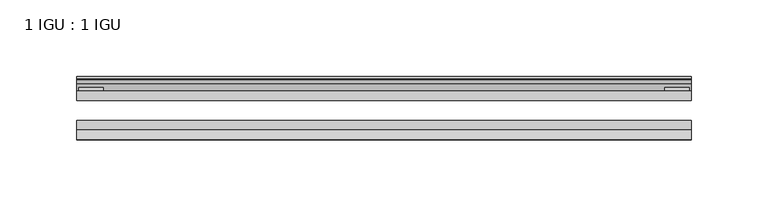
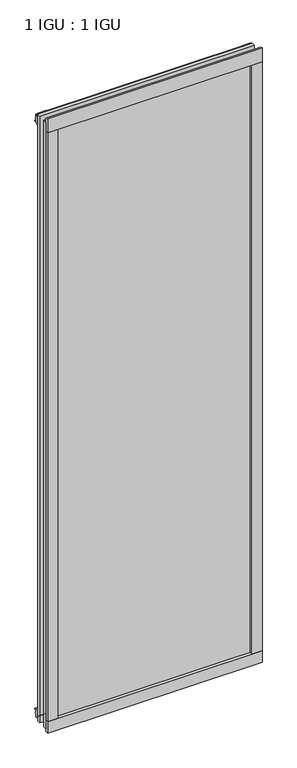
"""IFC4 building model written with IfcOpenShell, lengths in millimetres: plate geometry, 1 IGU : 1 IGU."""

from ifc_helpers import new_model, si_unit, point, frame, frame_2d, origin, place, context, project, spatial, polyline, circle_curve, trimmed, segment, composite_curve, outline, extrude, source, transform, mapped, element, save


def plate_1_igu_1_igu_dab4b2fd(model_context):
    return source(origin(), model_context, "Body", "SweptSolid", [
        extrude(outline(polyline([(200.0261906, 0.0021347), (200.0261906, -6.2992), (-200.0261906, -6.2992), (-200.0261906, 0.0021347), (200.0261906, 0.0021347)])), frame((0.0, 0.0, -17.4498), z_axis=(0.0, 0.0, 1.0), x_axis=(1.0, 0.0, 0.0)), (0.0, 0.0, 1.0), 1196.9496),
        extrude(outline(polyline([(-200.0261906, -19.0986653), (200.0261906, -19.0986653), (200.0261906, -25.3978653), (-200.0261906, -25.3978653), (-200.0261906, -19.0986653)])), frame((0.0, 0.0, -17.4498), z_axis=(0.0, 0.0, 1.0), x_axis=(1.0, 0.0, 0.0)), (0.0, 0.0, 1.0), 1196.9496),
        extrude(outline(composite_curve([segment(polyline([(-31.75, 0.0), (-25.4, 0.0), (-25.4, -22.225)]), True, "CONTINUOUS"), segment(trimmed(circle_curve(frame_2d((-28.575, -28.9113452)), 7.4018806), [point((-25.4, -22.225))], [point((-31.75, -22.225))], True, "CARTESIAN"), True, "CONTINUOUS"), segment(polyline([(-31.75, -22.225), (-31.75, 0.0)]), True, "CONTINUOUS")], self_intersect=False)), frame((-200.0261906, 0.0, 0.0), z_axis=(1.0, 0.0, 0.0), x_axis=(0.0, 1.0, 0.0)), (0.0, 0.0, 1.0), 400.0523813),
        extrude(outline(composite_curve([segment(trimmed(circle_curve(frame_2d((13.6593785, 32.4202472)), 31.3046461), [point((0.0, 4.2528503))], [point((9.3980339, 1.406995))], True, "CARTESIAN"), True, "CONTINUOUS"), segment(polyline([(9.3980339, 1.406995), (9.3980339, 0.0254), (6.35, 0.0254), (6.35, -5.1625788), (7.7309478, -5.3970663), (6.35, -8.0073788), (6.35, -11.8471127)]), True, "CONTINUOUS"), segment(trimmed(circle_curve(frame_2d((5.334, -11.8471127)), 1.016), [point((6.35, -11.8471127))], [point((4.6284878, -12.5782136))], False, "CARTESIAN"), True, "CONTINUOUS"), segment(trimmed(circle_curve(frame_2d((-23.3689302, -41.5910901)), 40.3187601), [point((4.6284878, -12.5782136))], [point((0.0, -8.735413))], True, "CARTESIAN"), True, "CONTINUOUS"), segment(polyline([(0.0, -8.735413), (0.0, 4.2528503)]), True, "CONTINUOUS")], self_intersect=False)), frame((-200.0261906, 0.0, 0.0), z_axis=(1.0, 0.0, 0.0), x_axis=(0.0, 1.0, 0.0)), (0.0, 0.0, 1.0), 400.0523813),
        extrude(outline(composite_curve([segment(trimmed(circle_curve(frame_2d((-23.3689302, 1203.6664901)), 40.3187601), [point((0.0, 1170.810813))], [point((4.9746073, 1174.9916528))], True, "CARTESIAN"), True, "CONTINUOUS"), segment(trimmed(circle_curve(frame_2d((5.8674, 1174.0884245)), 1.27), [point((4.9746073, 1174.9916528))], [point((7.1374, 1174.0884245))], False, "CARTESIAN"), True, "CONTINUOUS"), segment(polyline([(7.1374, 1174.0884245), (7.1374, 1169.6876168), (7.7309478, 1167.4724663), (6.35, 1167.2379788), (6.35, 1162.05), (9.3980339, 1162.05), (9.3980339, 1160.668405)]), True, "CONTINUOUS"), segment(trimmed(circle_curve(frame_2d((13.6593785, 1129.6551528)), 31.3046461), [point((9.3980339, 1160.668405))], [point((0.0, 1157.8225497))], True, "CARTESIAN"), True, "CONTINUOUS"), segment(polyline([(0.0, 1157.8225497), (0.0, 1170.810813)]), True, "CONTINUOUS")], self_intersect=False)), frame((-200.0261906, 0.0, 0.0), z_axis=(1.0, 0.0, 0.0), x_axis=(0.0, 1.0, 0.0)), (0.0, 0.0, 1.0), 400.0523813),
        extrude(outline(composite_curve([segment(polyline([(-25.4, 1187.45), (-25.4, 1162.05), (-31.75, 1162.05), (-31.75, 1190.2228973)]), True, "CONTINUOUS"), segment(trimmed(circle_curve(frame_2d((-24.1401272, 1198.9924115)), 11.6109665), [point((-31.75, 1190.2228973))], [point((-25.4, 1187.45))], True, "CARTESIAN"), True, "CONTINUOUS")], self_intersect=False)), frame((-200.0261906, 0.0, 0.0), z_axis=(1.0, 0.0, 0.0), x_axis=(0.0, 1.0, 0.0)), (0.0, 0.0, 1.0), 400.0523813),
        extrude(outline(composite_curve([segment(polyline([(180.9761906, -25.4), (200.0261906, -25.4)]), True, "CONTINUOUS"), segment(trimmed(circle_curve(frame_2d((209.4923413, -28.575)), 9.9844196), [point((200.0261906, -25.4))], [point((200.0261906, -31.75))], True, "CARTESIAN"), True, "CONTINUOUS"), segment(polyline([(200.0261906, -31.75), (180.9761906, -31.75), (180.9761906, -25.4)]), True, "CONTINUOUS")], self_intersect=False)), frame((0.0, 0.0, -17.4498), z_axis=(0.0, 0.0, 1.0), x_axis=(1.0, 0.0, 0.0)), (0.0, 0.0, 1.0), 1196.9496),
        extrude(outline(polyline([(198.8196906, 2.2860088), (198.8196906, 0.0021347), (182.9446906, 0.0021347), (182.9446906, 2.2860088), (198.8196906, 2.2860088)])), frame((0.0, 0.0, -17.4498), z_axis=(0.0, 0.0, 1.0), x_axis=(1.0, 0.0, 0.0)), (0.0, 0.0, 1.0), 1196.9496),
        extrude(outline(composite_curve([segment(trimmed(circle_curve(frame_2d((-209.4923413, -28.575)), 9.9844196), [point((-200.0261906, -31.75))], [point((-200.0261906, -25.4))], True, "CARTESIAN"), True, "CONTINUOUS"), segment(polyline([(-200.0261906, -25.4), (-180.9761906, -25.4), (-180.9761906, -31.75), (-200.0261906, -31.75)]), True, "CONTINUOUS")], self_intersect=False)), frame((0.0, 0.0, -17.4498), z_axis=(0.0, 0.0, 1.0), x_axis=(1.0, 0.0, 0.0)), (0.0, 0.0, 1.0), 1196.9496),
        extrude(outline(polyline([(-198.8196906, 0.0), (-198.8196906, 2.286), (-182.9446906, 2.286), (-182.9446906, 0.0), (-198.8196906, 0.0)])), frame((0.0, 0.0, -17.4498), z_axis=(0.0, 0.0, 1.0), x_axis=(1.0, 0.0, 0.0)), (0.0, 0.0, 1.0), 1196.9496),
    ])


if __name__ == "__main__":
    model = new_model("IFC4")
    model_context = context("Model", 3, world=origin())
    ifc_project = project(units=[si_unit("LENGTHUNIT", "METRE", prefix="MILLI")], contexts=[model_context])
    site = spatial("IfcSite", under=ifc_project)
    building = spatial("IfcBuilding", under=site)
    placement = place(None, origin())
    plate_1_igu_1_igu_shape = plate_1_igu_1_igu_dab4b2fd(model_context)
    element("IfcPlate", 1, ObjectType="1 IGU : 1 IGU", at=placement, inside=building, context=model_context, shape_type="MappedRepresentation", body=[
        mapped(plate_1_igu_1_igu_shape, transform((0.0, 0.0, 0.0), x_axis=(1.0, 0.0, 0.0), y_axis=(0.0, 1.0, 0.0), z_axis=(0.0, 0.0, 1.0))),
    ])
    save(model, "model.ifc")
